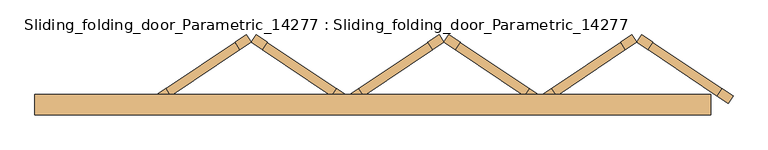
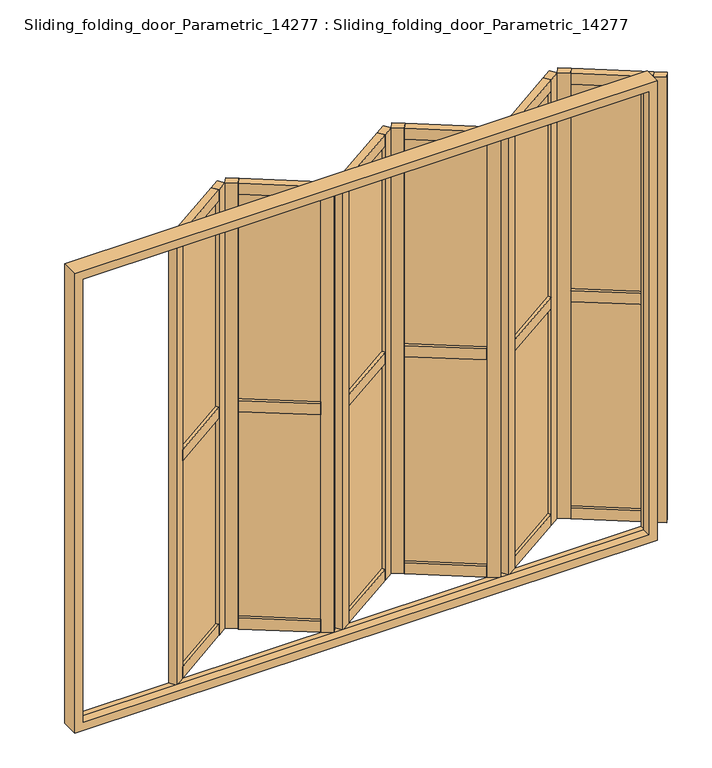
"""IFC4 building model written with IfcOpenShell, lengths in millimetres: door geometry, Sliding_folding_door_Parametric_14277 : Sliding_folding_door_Parametric_14277."""

from ifc_helpers import new_model, si_unit, frame, origin, place, context, project, spatial, polyline, outline, extrude, faceted_brep, source, transform, mapped, element, save


def sliding_folding_door_parametric_14277_sliding_folding_door_8bd07057(model_context):
    return source(origin(), model_context, "Body", "SolidModel", [
        extrude(outline(polyline([(-53.4672187, -6.8391947), (252.9687486, 199.3260522), (256.3180035, 194.3478506), (-50.1179638, -11.8173964), (-53.4672187, -6.8391947)])), frame((0.0, 0.0, 1280.0), z_axis=(0.0, 0.0, 1.0), x_axis=(1.0, 0.0, 0.0)), (0.0, 0.0, 1.0), 1123.0),
        extrude(outline(polyline([(-53.4672187, -6.8391947), (252.9687486, 199.3260522), (256.3180035, 194.3478506), (-50.1179638, -11.8173964), (-53.4672187, -6.8391947)])), frame((0.0, 0.0, 97.0), z_axis=(0.0, 0.0, 1.0), x_axis=(1.0, 0.0, 0.0)), (0.0, 0.0, 1.0), 1123.0),
        extrude(outline(polyline([(243.7582975, 213.0161067), (293.5403139, 246.5086559), (315.3104708, 214.1503453), (265.5284545, 180.6577961), (243.7582975, 213.0161067)])), frame((0.0, 0.0, 37.0), z_axis=(0.0, 0.0, 1.0), x_axis=(1.0, 0.0, 0.0)), (0.0, 0.0, 1.0), 2426.0),
        extrude(outline(polyline([(-62.2628196, 7.1299643), (243.3434474, 212.7370022), (265.1136043, 180.3786915), (-40.4926627, -25.2283463), (-62.2628196, 7.1299643)])), frame((0.0, 0.0, 2403.0), z_axis=(0.0, 0.0, 1.0), x_axis=(1.0, 0.0, 0.0)), (0.0, 0.0, 1.0), 60.0),
        extrude(outline(polyline([(-112.4596861, -26.6416894), (-62.6776698, 6.8508598), (-40.9075128, -25.5074509), (-90.6895292, -59.0), (-112.4596861, -26.6416894)])), frame((0.0, 0.0, 37.0), z_axis=(0.0, 0.0, 1.0), x_axis=(1.0, 0.0, 0.0)), (0.0, 0.0, 1.0), 2426.0),
        extrude(outline(polyline([(-62.2628196, 7.1299643), (243.3434474, 212.7370022), (265.1136043, 180.3786915), (-40.4926627, -25.2283463), (-62.2628196, 7.1299643)])), frame((0.0, 0.0, 37.0), z_axis=(0.0, 0.0, 1.0), x_axis=(1.0, 0.0, 0.0)), (0.0, 0.0, 1.0), 60.0),
        extrude(outline(polyline([(-62.2628196, 7.1299643), (243.3434474, 212.7370022), (265.1136043, 180.3786915), (-40.4926627, -25.2283463), (-62.2628196, 7.1299643)])), frame((0.0, 0.0, 1220.0), z_axis=(0.0, 0.0, 1.0), x_axis=(1.0, 0.0, 0.0)), (0.0, 0.0, 1.0), 60.0),
        extrude(outline(polyline([(-909.0075326, -6.8391947), (-602.5715653, 199.3260522), (-599.2223104, 194.3478506), (-905.6582777, -11.8173964), (-909.0075326, -6.8391947)])), frame((0.0, 0.0, 1280.0), z_axis=(0.0, 0.0, 1.0), x_axis=(1.0, 0.0, 0.0)), (0.0, 0.0, 1.0), 1123.0),
        extrude(outline(polyline([(-909.0075326, -6.8391947), (-602.5715653, 199.3260522), (-599.2223104, 194.3478506), (-905.6582777, -11.8173964), (-909.0075326, -6.8391947)])), frame((0.0, 0.0, 97.0), z_axis=(0.0, 0.0, 1.0), x_axis=(1.0, 0.0, 0.0)), (0.0, 0.0, 1.0), 1123.0),
        extrude(outline(polyline([(-611.7820163, 213.0161067), (-562.0, 246.5086559), (-540.2298431, 214.1503453), (-590.0118594, 180.6577961), (-611.7820163, 213.0161067)])), frame((0.0, 0.0, 37.0), z_axis=(0.0, 0.0, 1.0), x_axis=(1.0, 0.0, 0.0)), (0.0, 0.0, 1.0), 2426.0),
        extrude(outline(polyline([(-917.8031335, 7.1299643), (-612.1968665, 212.7370022), (-590.4267095, 180.3786915), (-896.0329766, -25.2283463), (-917.8031335, 7.1299643)])), frame((0.0, 0.0, 2403.0), z_axis=(0.0, 0.0, 1.0), x_axis=(1.0, 0.0, 0.0)), (0.0, 0.0, 1.0), 60.0),
        extrude(outline(polyline([(-968.0, -26.6416894), (-918.2179837, 6.8508598), (-896.4478267, -25.5074509), (-946.2298431, -59.0), (-968.0, -26.6416894)])), frame((0.0, 0.0, 37.0), z_axis=(0.0, 0.0, 1.0), x_axis=(1.0, 0.0, 0.0)), (0.0, 0.0, 1.0), 2426.0),
        extrude(outline(polyline([(-917.8031335, 7.1299643), (-612.1968665, 212.7370022), (-590.4267095, 180.3786915), (-896.0329766, -25.2283463), (-917.8031335, 7.1299643)])), frame((0.0, 0.0, 37.0), z_axis=(0.0, 0.0, 1.0), x_axis=(1.0, 0.0, 0.0)), (0.0, 0.0, 1.0), 60.0),
        extrude(outline(polyline([(-917.8031335, 7.1299643), (-612.1968665, 212.7370022), (-590.4267095, 180.3786915), (-896.0329766, -25.2283463), (-917.8031335, 7.1299643)])), frame((0.0, 0.0, 1220.0), z_axis=(0.0, 0.0, 1.0), x_axis=(1.0, 0.0, 0.0)), (0.0, 0.0, 1.0), 60.0),
        extrude(outline(polyline([(802.0730951, -6.8391947), (1108.5090624, 199.3260522), (1111.8583174, 194.3478506), (805.4223501, -11.8173964), (802.0730951, -6.8391947)])), frame((0.0, 0.0, 1280.0), z_axis=(0.0, 0.0, 1.0), x_axis=(1.0, 0.0, 0.0)), (0.0, 0.0, 1.0), 1123.0),
        extrude(outline(polyline([(802.0730951, -6.8391947), (1108.5090624, 199.3260522), (1111.8583174, 194.3478506), (805.4223501, -11.8173964), (802.0730951, -6.8391947)])), frame((0.0, 0.0, 97.0), z_axis=(0.0, 0.0, 1.0), x_axis=(1.0, 0.0, 0.0)), (0.0, 0.0, 1.0), 1123.0),
        extrude(outline(polyline([(1099.2986114, 213.0161067), (1149.0806278, 246.5086559), (1170.8507847, 214.1503453), (1121.0687684, 180.6577961), (1099.2986114, 213.0161067)])), frame((0.0, 0.0, 37.0), z_axis=(0.0, 0.0, 1.0), x_axis=(1.0, 0.0, 0.0)), (0.0, 0.0, 1.0), 2426.0),
        extrude(outline(polyline([(793.2774943, 7.1299643), (1098.8837613, 212.7370022), (1120.6539182, 180.3786915), (815.0476512, -25.2283463), (793.2774943, 7.1299643)])), frame((0.0, 0.0, 2403.0), z_axis=(0.0, 0.0, 1.0), x_axis=(1.0, 0.0, 0.0)), (0.0, 0.0, 1.0), 60.0),
        extrude(outline(polyline([(743.0806278, -26.6416894), (792.8626441, 6.8508598), (814.6328011, -25.5074509), (764.8507847, -59.0), (743.0806278, -26.6416894)])), frame((0.0, 0.0, 37.0), z_axis=(0.0, 0.0, 1.0), x_axis=(1.0, 0.0, 0.0)), (0.0, 0.0, 1.0), 2426.0),
        extrude(outline(polyline([(793.2774943, 7.1299643), (1098.8837613, 212.7370022), (1120.6539182, 180.3786915), (815.0476512, -25.2283463), (793.2774943, 7.1299643)])), frame((0.0, 0.0, 37.0), z_axis=(0.0, 0.0, 1.0), x_axis=(1.0, 0.0, 0.0)), (0.0, 0.0, 1.0), 60.0),
        extrude(outline(polyline([(793.2774943, 7.1299643), (1098.8837613, 212.7370022), (1120.6539182, 180.3786915), (815.0476512, -25.2283463), (793.2774943, 7.1299643)])), frame((0.0, 0.0, 1220.0), z_axis=(0.0, 0.0, 1.0), x_axis=(1.0, 0.0, 0.0)), (0.0, 0.0, 1.0), 60.0),
        extrude(outline(polyline([(684.0881604, -6.8391947), (680.7389055, -11.8173964), (374.3029382, 194.3478506), (377.6521931, 199.3260522), (684.0881604, -6.8391947)])), frame((0.0, 0.0, 1280.0), z_axis=(0.0, 0.0, 1.0), x_axis=(1.0, 0.0, 0.0)), (0.0, 0.0, 1.0), 1123.0),
        extrude(outline(polyline([(684.0881604, -6.8391947), (680.7389055, -11.8173964), (374.3029382, 194.3478506), (377.6521931, 199.3260522), (684.0881604, -6.8391947)])), frame((0.0, 0.0, 97.0), z_axis=(0.0, 0.0, 1.0), x_axis=(1.0, 0.0, 0.0)), (0.0, 0.0, 1.0), 1123.0),
        extrude(outline(polyline([(386.8626441, 213.0161067), (365.0924872, 180.6577961), (315.3104708, 214.1503453), (337.0806278, 246.5086559), (386.8626441, 213.0161067)])), frame((0.0, 0.0, 37.0), z_axis=(0.0, 0.0, 1.0), x_axis=(1.0, 0.0, 0.0)), (0.0, 0.0, 1.0), 2426.0),
        extrude(outline(polyline([(692.8837613, 7.1299643), (671.1136043, -25.2283463), (365.5073373, 180.3786915), (387.2774943, 212.7370022), (692.8837613, 7.1299643)])), frame((0.0, 0.0, 2403.0), z_axis=(0.0, 0.0, 1.0), x_axis=(1.0, 0.0, 0.0)), (0.0, 0.0, 1.0), 60.0),
        extrude(outline(polyline([(743.0806278, -26.6416894), (721.3104708, -59.0), (671.5284545, -25.5074509), (693.2986114, 6.8508598), (743.0806278, -26.6416894)])), frame((0.0, 0.0, 37.0), z_axis=(0.0, 0.0, 1.0), x_axis=(1.0, 0.0, 0.0)), (0.0, 0.0, 1.0), 2426.0),
        extrude(outline(polyline([(692.8837613, 7.1299643), (671.1136043, -25.2283463), (365.5073373, 180.3786915), (387.2774943, 212.7370022), (692.8837613, 7.1299643)])), frame((0.0, 0.0, 37.0), z_axis=(0.0, 0.0, 1.0), x_axis=(1.0, 0.0, 0.0)), (0.0, 0.0, 1.0), 60.0),
        extrude(outline(polyline([(692.8837613, 7.1299643), (671.1136043, -25.2283463), (365.5073373, 180.3786915), (387.2774943, 212.7370022), (692.8837613, 7.1299643)])), frame((0.0, 0.0, 1220.0), z_axis=(0.0, 0.0, 1.0), x_axis=(1.0, 0.0, 0.0)), (0.0, 0.0, 1.0), 60.0),
        extrude(outline(polyline([(1539.6284743, -6.8391947), (1536.2792194, -11.8173964), (1229.8432521, 194.3478506), (1233.192507, 199.3260522), (1539.6284743, -6.8391947)])), frame((0.0, 0.0, 1280.0), z_axis=(0.0, 0.0, 1.0), x_axis=(1.0, 0.0, 0.0)), (0.0, 0.0, 1.0), 1123.0),
        extrude(outline(polyline([(1539.6284743, -6.8391947), (1536.2792194, -11.8173964), (1229.8432521, 194.3478506), (1233.192507, 199.3260522), (1539.6284743, -6.8391947)])), frame((0.0, 0.0, 97.0), z_axis=(0.0, 0.0, 1.0), x_axis=(1.0, 0.0, 0.0)), (0.0, 0.0, 1.0), 1123.0),
        extrude(outline(polyline([(1242.402958, 213.0161067), (1220.6328011, 180.6577961), (1170.8507847, 214.1503453), (1192.6209417, 246.5086559), (1242.402958, 213.0161067)])), frame((0.0, 0.0, 37.0), z_axis=(0.0, 0.0, 1.0), x_axis=(1.0, 0.0, 0.0)), (0.0, 0.0, 1.0), 2426.0),
        extrude(outline(polyline([(1548.4240752, 7.1299643), (1526.6539182, -25.2283463), (1221.0476512, 180.3786915), (1242.8178082, 212.7370022), (1548.4240752, 7.1299643)])), frame((0.0, 0.0, 2403.0), z_axis=(0.0, 0.0, 1.0), x_axis=(1.0, 0.0, 0.0)), (0.0, 0.0, 1.0), 60.0),
        extrude(outline(polyline([(1598.6209417, -26.6416894), (1576.8507847, -59.0), (1527.0687684, -25.5074509), (1548.8389253, 6.8508598), (1598.6209417, -26.6416894)])), frame((0.0, 0.0, 37.0), z_axis=(0.0, 0.0, 1.0), x_axis=(1.0, 0.0, 0.0)), (0.0, 0.0, 1.0), 2426.0),
        extrude(outline(polyline([(1548.4240752, 7.1299643), (1526.6539182, -25.2283463), (1221.0476512, 180.3786915), (1242.8178082, 212.7370022), (1548.4240752, 7.1299643)])), frame((0.0, 0.0, 37.0), z_axis=(0.0, 0.0, 1.0), x_axis=(1.0, 0.0, 0.0)), (0.0, 0.0, 1.0), 60.0),
        extrude(outline(polyline([(1548.4240752, 7.1299643), (1526.6539182, -25.2283463), (1221.0476512, 180.3786915), (1242.8178082, 212.7370022), (1548.4240752, 7.1299643)])), frame((0.0, 0.0, 1220.0), z_axis=(0.0, 0.0, 1.0), x_axis=(1.0, 0.0, 0.0)), (0.0, 0.0, 1.0), 60.0),
        extrude(outline(polyline([(-171.4521535, -6.8391947), (-174.8014084, -11.8173964), (-481.2373757, 194.3478506), (-477.8881208, 199.3260522), (-171.4521535, -6.8391947)])), frame((0.0, 0.0, 1280.0), z_axis=(0.0, 0.0, 1.0), x_axis=(1.0, 0.0, 0.0)), (0.0, 0.0, 1.0), 1123.0),
        extrude(outline(polyline([(-171.4521535, -6.8391947), (-174.8014084, -11.8173964), (-481.2373757, 194.3478506), (-477.8881208, 199.3260522), (-171.4521535, -6.8391947)])), frame((0.0, 0.0, 97.0), z_axis=(0.0, 0.0, 1.0), x_axis=(1.0, 0.0, 0.0)), (0.0, 0.0, 1.0), 1123.0),
        extrude(outline(polyline([(-468.6776698, 213.0161067), (-490.4478267, 180.6577961), (-540.2298431, 214.1503453), (-518.4596861, 246.5086559), (-468.6776698, 213.0161067)])), frame((0.0, 0.0, 37.0), z_axis=(0.0, 0.0, 1.0), x_axis=(1.0, 0.0, 0.0)), (0.0, 0.0, 1.0), 2426.0),
        extrude(outline(polyline([(-162.6565526, 7.1299643), (-184.4267095, -25.2283463), (-490.0329766, 180.3786915), (-468.2628196, 212.7370022), (-162.6565526, 7.1299643)])), frame((0.0, 0.0, 2403.0), z_axis=(0.0, 0.0, 1.0), x_axis=(1.0, 0.0, 0.0)), (0.0, 0.0, 1.0), 60.0),
        extrude(outline(polyline([(-112.4596861, -26.6416894), (-134.2298431, -59.0), (-184.0118594, -25.5074509), (-162.2417025, 6.8508598), (-112.4596861, -26.6416894)])), frame((0.0, 0.0, 37.0), z_axis=(0.0, 0.0, 1.0), x_axis=(1.0, 0.0, 0.0)), (0.0, 0.0, 1.0), 2426.0),
        extrude(outline(polyline([(-162.6565526, 7.1299643), (-184.4267095, -25.2283463), (-490.0329766, 180.3786915), (-468.2628196, 212.7370022), (-162.6565526, 7.1299643)])), frame((0.0, 0.0, 37.0), z_axis=(0.0, 0.0, 1.0), x_axis=(1.0, 0.0, 0.0)), (0.0, 0.0, 1.0), 60.0),
        extrude(outline(polyline([(-162.6565526, 7.1299643), (-184.4267095, -25.2283463), (-490.0329766, 180.3786915), (-468.2628196, 212.7370022), (-162.6565526, 7.1299643)])), frame((0.0, 0.0, 1220.0), z_axis=(0.0, 0.0, 1.0), x_axis=(1.0, 0.0, 0.0)), (0.0, 0.0, 1.0), 60.0),
        faceted_brep([(1468.0, -64.0, 2468.0), (1468.0, -20.0, 2468.0), (1468.0, -20.0, 32.0), (1468.0, -64.0, 32.0), (1500.0, -20.0, 2500.0), (1500.0, -20.0, 0.0), (-1500.0, -20.0, 0.0), (-1500.0, -20.0, 2500.0), (-1468.0, -20.0, 2468.0), (-1468.0, -20.0, 32.0), (-1468.0, -64.0, 32.0), (-1468.0, -64.0, 2468.0), (-1456.0, -64.0, 2456.0), (-1456.0, -64.0, 44.0), (1456.0, -64.0, 44.0), (1456.0, -64.0, 2456.0), (1456.0, -110.0, 2456.0), (1456.0, -110.0, 44.0), (-1456.0, -110.0, 44.0), (-1500.0, -110.0, 2500.0), (-1500.0, -110.0, 0.0), (1500.0, -110.0, 0.0), (1500.0, -110.0, 2500.0), (-1456.0, -110.0, 2456.0)], [[[0, 1, 2, 3]], [[4, 5, 6, 7], [8, 9, 2, 1]], [[3, 2, 9, 10]], [[0, 3, 10, 11], [12, 13, 14, 15]], [[16, 15, 14, 17]], [[17, 14, 13, 18]], [[19, 20, 21, 22], [16, 17, 18, 23]], [[4, 22, 21, 5]], [[5, 21, 20, 6]], [[10, 9, 8, 11]], [[18, 13, 12, 23]], [[6, 20, 19, 7]], [[11, 8, 1, 0]], [[23, 12, 15, 16]], [[7, 19, 22, 4]]]),
    ])


if __name__ == "__main__":
    model = new_model("IFC4")
    model_context = context("Model", 3, world=origin())
    ifc_project = project(units=[si_unit("LENGTHUNIT", "METRE", prefix="MILLI")], contexts=[model_context])
    site = spatial("IfcSite", under=ifc_project)
    building = spatial("IfcBuilding", under=site)
    placement = place(None, origin())
    sliding_folding_door_parametric_14277_sliding_folding_door_shape = sliding_folding_door_parametric_14277_sliding_folding_door_8bd07057(model_context)
    element("IfcDoor", 1, ObjectType="Sliding_folding_door_Parametric_14277 : Sliding_folding_door_Parametric_14277", at=placement, inside=building, context=model_context, shape_type="MappedRepresentation", body=[
        mapped(sliding_folding_door_parametric_14277_sliding_folding_door_shape, transform((0.0, 0.0, 0.0), x_axis=(1.0, 0.0, 0.0), y_axis=(0.0, 1.0, 0.0), z_axis=(0.0, 0.0, 1.0))),
    ])
    save(model, "model.ifc")
